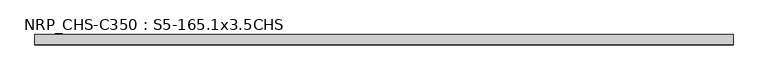
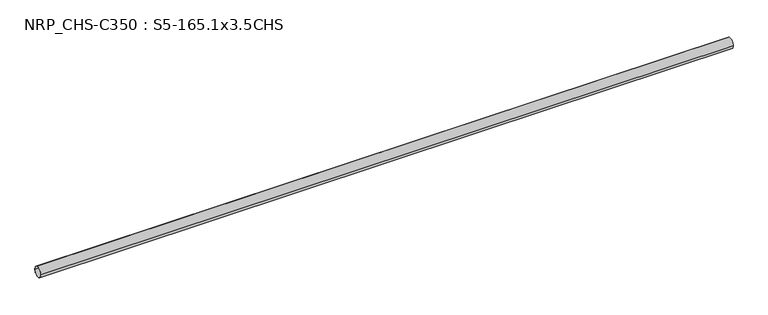
"""IFC4 building model written with IfcOpenShell, lengths in millimetres: beam geometry, NRP_CHS-C350 : S5-165.1x3.5CHS."""

from ifc_helpers import new_model, si_unit, point, frame, origin, origin_2d, place, context, project, spatial, circle_curve, trimmed, segment, composite_curve, outline, extrude, source, transform, mapped, element, save


def nrp_chs_c350_s5_165_1x3_5chs_9fdd9caf(model_context):
    return source(origin(), model_context, "Body", "SweptSolid", [
        extrude(outline(composite_curve([segment(trimmed(circle_curve(origin_2d(), 82.55), [point((82.55, 0.0))], [point((-82.55, 0.0))], False, "CARTESIAN"), True, "CONTINUOUS"), segment(trimmed(circle_curve(origin_2d(), 82.55), [point((-82.55, 0.0))], [point((82.55, 0.0))], False, "CARTESIAN"), True, "CONTINUOUS")], self_intersect=False), holes=[composite_curve([segment(trimmed(circle_curve(origin_2d(), 79.05), [point((-79.05, 0.0))], [point((79.05, 0.0))], True, "CARTESIAN"), True, "CONTINUOUS"), segment(trimmed(circle_curve(origin_2d(), 79.05), [point((79.05, 0.0))], [point((-79.05, 0.0))], True, "CARTESIAN"), True, "CONTINUOUS")], self_intersect=False)]), frame((-5532.8, 0.0, 0.0), z_axis=(1.0, 0.0, 0.0), x_axis=(0.0, 1.0, 0.0)), (0.0, 0.0, 1.0), 11041.7),
    ])


if __name__ == "__main__":
    model = new_model("IFC4")
    model_context = context("Model", 3, world=origin())
    ifc_project = project(units=[si_unit("LENGTHUNIT", "METRE", prefix="MILLI")], contexts=[model_context])
    site = spatial("IfcSite", under=ifc_project)
    building = spatial("IfcBuilding", under=site)
    placement = place(None, origin())
    nrp_chs_c350_s5_165_1x3_5chs_shape = nrp_chs_c350_s5_165_1x3_5chs_9fdd9caf(model_context)
    element("IfcBeam", 1, ObjectType="NRP_CHS-C350 : S5-165.1x3.5CHS", at=placement, inside=building, context=model_context, shape_type="MappedRepresentation", body=[
        mapped(nrp_chs_c350_s5_165_1x3_5chs_shape, transform((0.0, 0.0, 0.0), x_axis=(1.0, 0.0, 0.0), y_axis=(0.0, 1.0, 0.0), z_axis=(0.0, 0.0, 1.0))),
    ])
    save(model, "model.ifc")
